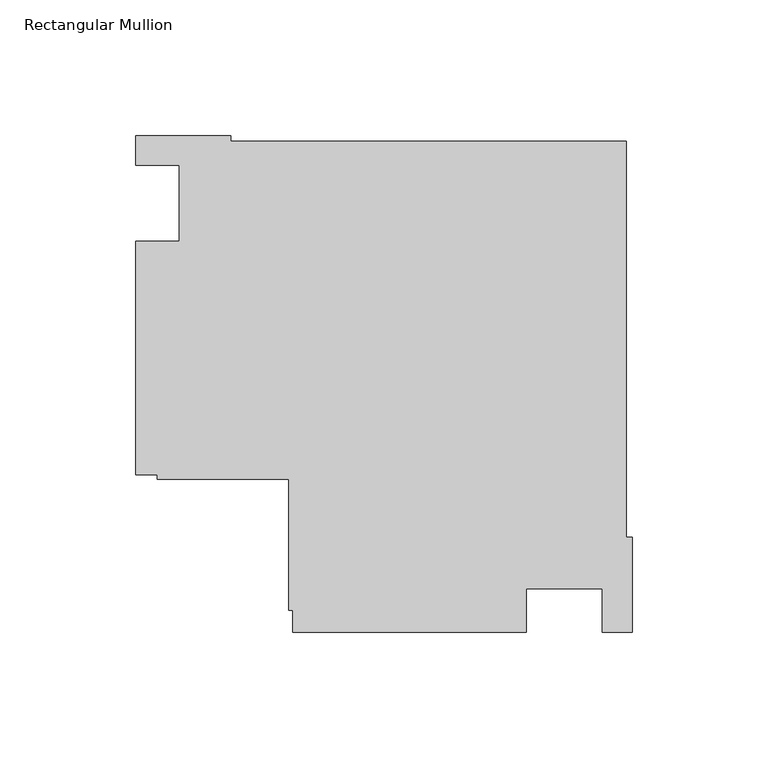
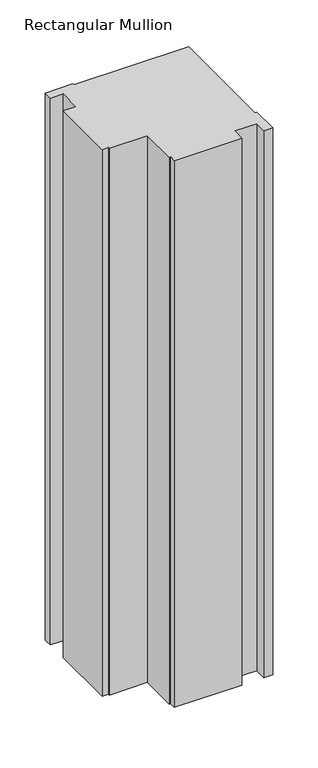
"""IFC4 building model written with IfcOpenShell, lengths in millimetres: member geometry, Rectangular Mullion."""

from ifc_helpers import new_model, si_unit, frame, origin, place, context, project, spatial, polyline, outline, extrude, source, transform, mapped, element, save


def rectangular_mullion_b9513acb(model_context):
    return source(origin(), model_context, "Body", "SweptSolid", [
        extrude(outline(polyline([(-182.9999976, -14.0008907), (-166.9999976, -14.0008907), (-166.9999976, 14.0027335), (-183.0085199, 14.0027335), (-183.0085199, 24.9989975), (-147.9999713, 24.9989975), (-147.9999713, 22.9137834), (-2.0852141, 22.9137834), (-2.0852141, -122.9999738), (0.0, -122.9999738), (0.0, -158.0000001), (-10.9999975, -158.0000001), (-10.9999975, -142.0010001), (-38.9998882, -142.0010001), (-38.9998882, -158.0000001), (-125.0, -158.0000001), (-125.0, -150.0000025), (-126.6, -150.0000025), (-126.6, -101.6000025), (-175.0, -101.6000025), (-175.0, -100.0010025), (-182.9999976, -100.0010025), (-182.9999976, -14.0008907)])), frame((0.0, 0.0, -734.958673), z_axis=(0.0, 0.0, 1.0), x_axis=(1.0, 0.0, 0.0)), (0.0, 0.0, 1.0), 734.958673),
    ])


if __name__ == "__main__":
    model = new_model("IFC4")
    model_context = context("Model", 3, world=origin())
    ifc_project = project(units=[si_unit("LENGTHUNIT", "METRE", prefix="MILLI")], contexts=[model_context])
    site = spatial("IfcSite", under=ifc_project)
    building = spatial("IfcBuilding", under=site)
    placement = place(None, origin())
    rectangular_mullion_shape = rectangular_mullion_b9513acb(model_context)
    element("IfcMember", 1, ObjectType="Rectangular Mullion", at=placement, inside=building, context=model_context, shape_type="MappedRepresentation", body=[
        mapped(rectangular_mullion_shape, transform((0.0, 0.0, 0.0), x_axis=(1.0, 0.0, 0.0), y_axis=(0.0, 1.0, 0.0), z_axis=(0.0, 0.0, 1.0))),
    ])
    save(model, "model.ifc")
